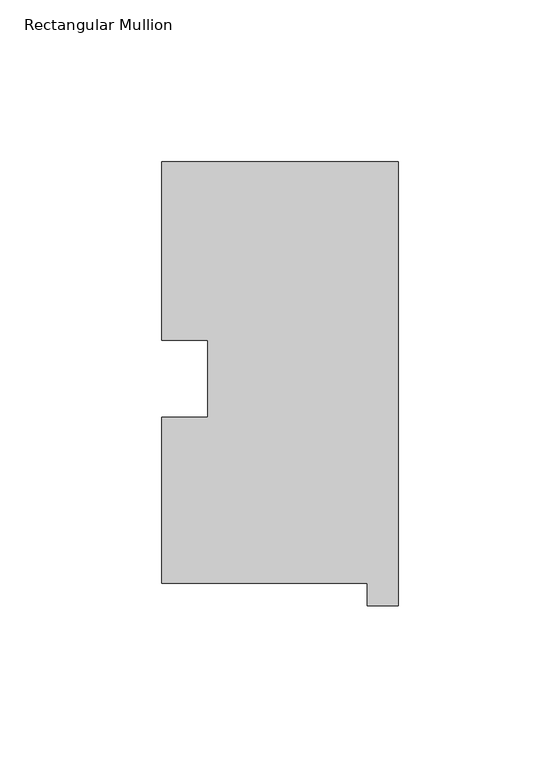
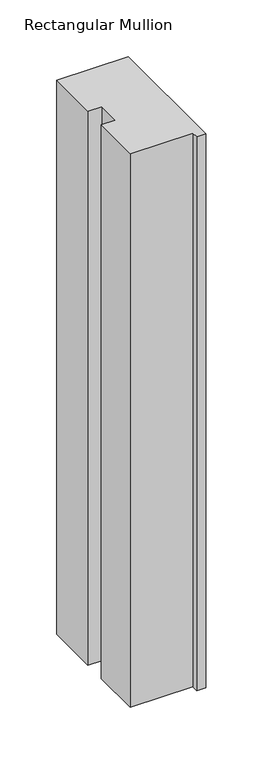
"""IFC4 building model written with IfcOpenShell, lengths in millimetres: member geometry, Rectangular Mullion."""

import ifcopenshell
import ifcopenshell.guid

model = None  # the IFC model being written
_history = None  # IfcOwnerHistory: only IFC2X3 demands one
_inside = {}  # id of a spatial element -> (the spatial element, [elements in it])
_under = {}  # id of a project, library or spatial element -> (it, [spatial elements below it])
_declared = {}  # id of a project -> (the project, [libraries it declares])
_typed = {}  # id of a type object -> (the type object, [elements of that type])
_made_of = {}  # id of a material, layer set ... -> (it, [elements and type objects made of it])


def new_model(schema):
    """Start an empty IFC model of exactly this schema.

    Asked for "IFC4X3", IfcOpenShell would pick the latest addendum, in which some entities
    have other attributes; the version numbers below select the first issue.
    IFC2X3 requires an IfcOwnerHistory on every rooted entity: one is made here for all.
    """
    global model, _history
    if schema == "IFC4X3":
        model = ifcopenshell.file(schema_version=(4, 3, 0, 0))
    else:
        model = ifcopenshell.file(schema=schema)
    _inside.clear()
    _under.clear()
    _declared.clear()
    _typed.clear()
    _made_of.clear()
    _history = None
    if model.schema == "IFC2X3":
        org = make("IfcOrganization", Name="unknown")
        user = make(
            "IfcPersonAndOrganization",
            ThePerson=make("IfcPerson", FamilyName="unknown"),
            TheOrganization=org,
        )
        app = make(
            "IfcApplication",
            ApplicationDeveloper=org,
            Version="unknown",
            ApplicationFullName="unknown",
            ApplicationIdentifier="unknown",
        )
        _history = make(
            "IfcOwnerHistory",
            OwningUser=user,
            OwningApplication=app,
            ChangeAction="ADDED",
            CreationDate=0,
        )
    return model


def make(cls, **values):
    """One entity of the class cls with the attributes given. An attribute that is None is left unset."""
    return model.create_entity(
        cls, **{name: value for name, value in values.items() if value is not None}
    )


def rooted(cls, **values):
    """An entity with a GlobalId (a new one), such as an element, a storey or a relation."""
    return make(cls, GlobalId=ifcopenshell.guid.new(), OwnerHistory=_history, **values)


def si_unit(unit_type, name, prefix=None):
    """IfcSIUnit, for example si_unit("LENGTHUNIT", "METRE", prefix="MILLI")."""
    return make("IfcSIUnit", UnitType=unit_type, Prefix=prefix, Name=name)


def assignment(units):
    """IfcUnitAssignment: the units of a project."""
    return None if units is None else make("IfcUnitAssignment", Units=units)


def point(xyz):
    """IfcCartesianPoint."""
    return None if xyz is None else make("IfcCartesianPoint", Coordinates=xyz)


def direction(xyz):
    """IfcDirection."""
    return None if xyz is None else make("IfcDirection", DirectionRatios=xyz)


def frame(location, z_axis=None, x_axis=None):
    """IfcAxis2Placement3D, a coordinate frame: its origin and axes. An axis left out is left unset."""
    return make(
        "IfcAxis2Placement3D",
        Location=point(location),
        Axis=direction(z_axis),
        RefDirection=direction(x_axis),
    )


def origin():
    """The frame at (0, 0, 0) with its axes left unset."""
    return frame((0.0, 0.0, 0.0))


def place(relative_to, where):
    """IfcLocalPlacement: puts the frame where relative to a parent placement (None: the world)."""
    return make(
        "IfcLocalPlacement", PlacementRelTo=relative_to, RelativePlacement=where
    )


def context(
    kind, dimensions, precision=None, world=None, true_north=None, identifier=None
):
    """IfcGeometricRepresentationContext, for example the 3D "Model" context."""
    return make(
        "IfcGeometricRepresentationContext",
        ContextIdentifier=identifier,
        ContextType=kind,
        CoordinateSpaceDimension=dimensions,
        Precision=precision,
        WorldCoordinateSystem=world,
        TrueNorth=true_north,
    )


def project(units=None, contexts=None):
    """IfcProject with its units and contexts."""
    return rooted(
        "IfcProject",
        Name="project",
        RepresentationContexts=contexts,
        UnitsInContext=assignment(units),
    )


def spatial(cls, under=None, at=None, **own):
    """A site, building, storey or space (cls), placed at a placement, below another one or the project."""
    s = rooted(cls, ObjectPlacement=at, **own)
    if under is not None:
        _under.setdefault(under.id(), (under, []))[1].append(s)
    return s


def polyline(points):
    """IfcPolyline through the points."""
    return make("IfcPolyline", Points=[point(p) for p in points])


def outline(outer, holes=None, kind="AREA"):
    """IfcArbitraryClosedProfileDef: a profile drawn as a closed curve; with holes, ...WithVoids."""
    if holes is None:
        return make("IfcArbitraryClosedProfileDef", ProfileType=kind, OuterCurve=outer)
    return make(
        "IfcArbitraryProfileDefWithVoids",
        ProfileType=kind,
        OuterCurve=outer,
        InnerCurves=holes,
    )


def extrude(swept, where, along, depth):
    """IfcExtrudedAreaSolid: the profile swept, set in the frame where, extruded along a direction by depth."""
    return make(
        "IfcExtrudedAreaSolid",
        SweptArea=swept,
        Position=where,
        ExtrudedDirection=direction(along),
        Depth=depth,
    )


def shape(context_of_items, identifier, shape_type, items):
    """IfcShapeRepresentation: the items that make up one representation, for example the "Body"."""
    return make(
        "IfcShapeRepresentation",
        ContextOfItems=context_of_items,
        RepresentationIdentifier=identifier,
        RepresentationType=shape_type,
        Items=items,
    )


def source(mapping_origin, context_of_items, identifier, shape_type, items):
    """IfcRepresentationMap: a shape defined once, which mapped items show again and again."""
    return make(
        "IfcRepresentationMap",
        MappingOrigin=mapping_origin,
        MappedRepresentation=shape(context_of_items, identifier, shape_type, items),
    )


def transform(
    local_origin,
    x_axis=None,
    y_axis=None,
    z_axis=None,
    scale=None,
    scale2=None,
    scale3=None,
    uniform=True,
):
    """IfcCartesianTransformationOperator3D, or its non-uniform kind. x_axis, y_axis, z_axis: its Axis1, 2, 3."""
    if uniform:
        return make(
            "IfcCartesianTransformationOperator3D",
            Axis1=direction(x_axis),
            Axis2=direction(y_axis),
            LocalOrigin=point(local_origin),
            Scale=scale,
            Axis3=direction(z_axis),
        )
    return make(
        "IfcCartesianTransformationOperator3DnonUniform",
        Axis1=direction(x_axis),
        Axis2=direction(y_axis),
        LocalOrigin=point(local_origin),
        Scale=scale,
        Axis3=direction(z_axis),
        Scale2=scale2,
        Scale3=scale3,
    )


def mapped(mapping_source, mapping_target):
    """IfcMappedItem: shows the shape of a source again, moved by a transform."""
    return make(
        "IfcMappedItem", MappingSource=mapping_source, MappingTarget=mapping_target
    )


def made_of(thing, what):
    """Note that an element or type object is made of a material, layer set ...; save() writes the relation."""
    if what is not None:
        _made_of.setdefault(what.id(), (what, []))[1].append(thing)
    return thing


def element(
    cls,
    number,
    at=None,
    inside=None,
    cuts=None,
    type_object=None,
    material=None,
    context=None,
    identifier="Body",
    shape_type=None,
    held_by="IfcProductDefinitionShape",
    body=None,
    shapes=None,
    **own,
):
    """One element of the class cls, such as IfcWall. Its Tag is "e" and its number.

    at: its placement. inside: the storey or other place that contains it. cuts: it is an
    opening in that element (IfcRelVoidsElement). A single representation is given by context,
    identifier, shape_type and body (its items); several are given by shapes. held_by: the class
    of the entity that holds the representations. save() writes the other relations.
    """
    e = rooted(cls, Tag="e%d" % number, ObjectPlacement=at, **own)
    if body is not None:
        shapes = [shape(context, identifier, shape_type, body)]
    if shapes is not None:
        e.Representation = make(held_by, Representations=shapes)
    if inside is not None:
        _inside.setdefault(inside.id(), (inside, []))[1].append(e)
    if cuts is not None:
        rooted(
            "IfcRelVoidsElement", RelatingBuildingElement=cuts, RelatedOpeningElement=e
        )
    if type_object is not None:
        _typed.setdefault(type_object.id(), (type_object, []))[1].append(e)
    return made_of(e, material)


def aggregate(whole, parts):
    """IfcRelAggregates: a whole, such as a stair, and the parts it consists of."""
    return rooted("IfcRelAggregates", RelatingObject=whole, RelatedObjects=parts)


def save(model, path):
    """Write the relations noted so far, then the file.

    IfcRelAggregates (storeys below a building ...), IfcRelContainedInSpatialStructure (elements
    in a storey), IfcRelDefinesByType, IfcRelAssociatesMaterial and IfcRelDeclares: one each for
    every whole, place, type object, material and project.
    """
    for whole, parts in _under.values():
        aggregate(whole, parts)
    for where, things in _inside.values():
        rooted(
            "IfcRelContainedInSpatialStructure",
            RelatedElements=things,
            RelatingStructure=where,
        )
    for kind, things in _typed.values():
        rooted("IfcRelDefinesByType", RelatedObjects=things, RelatingType=kind)
    for what, things in _made_of.values():
        rooted("IfcRelAssociatesMaterial", RelatedObjects=things, RelatingMaterial=what)
    for by, libraries in _declared.values():
        rooted("IfcRelDeclares", RelatingContext=by, RelatedDefinitions=libraries)
    model.write(path)


def rectangular_mullion_8b9f393a(model_context):
    return source(origin(), model_context, "Body", "SweptSolid", [
        extrude(outline(polyline([(-73.025, 130.56235), (0.0, 130.56235), (0.0, -6.64845), (-9.525, -6.64845), (-9.525, 0.26035), (-73.025, 0.26035), (-73.025, 51.60645), (-58.785125, 51.60645), (-58.785125, 75.40625), (-73.025, 75.40625), (-73.025, 130.56235)])), frame((0.0, 0.0, -596.9063827), z_axis=(0.0, 0.0, 1.0), x_axis=(1.0, 0.0, 0.0)), (0.0, 0.0, 1.0), 596.9063827),
    ])


if __name__ == "__main__":
    model = new_model("IFC4")
    model_context = context("Model", 3, world=origin())
    ifc_project = project(units=[si_unit("LENGTHUNIT", "METRE", prefix="MILLI")], contexts=[model_context])
    site = spatial("IfcSite", under=ifc_project)
    building = spatial("IfcBuilding", under=site)
    placement = place(None, origin())
    rectangular_mullion_shape = rectangular_mullion_8b9f393a(model_context)
    element("IfcMember", 1, ObjectType="Rectangular Mullion", at=placement, inside=building, context=model_context, shape_type="MappedRepresentation", body=[
        mapped(rectangular_mullion_shape, transform((0.0, 0.0, 0.0), x_axis=(1.0, 0.0, 0.0), y_axis=(0.0, 1.0, 0.0), z_axis=(0.0, 0.0, 1.0))),
    ])
    save(model, "model.ifc")
